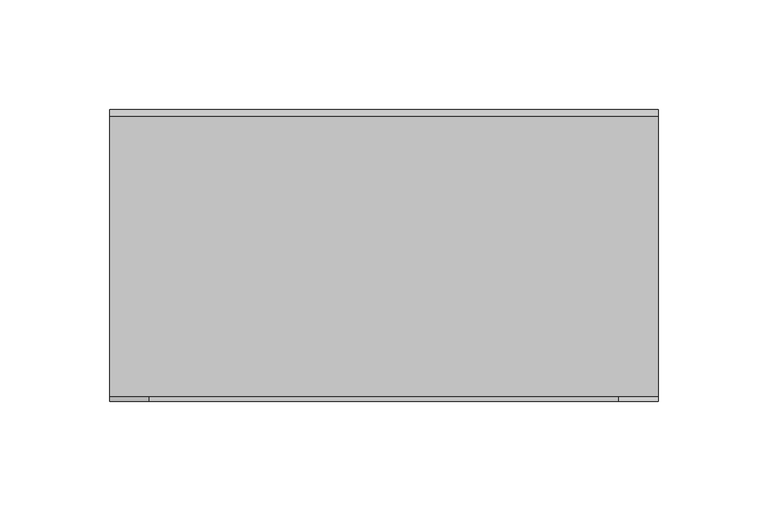
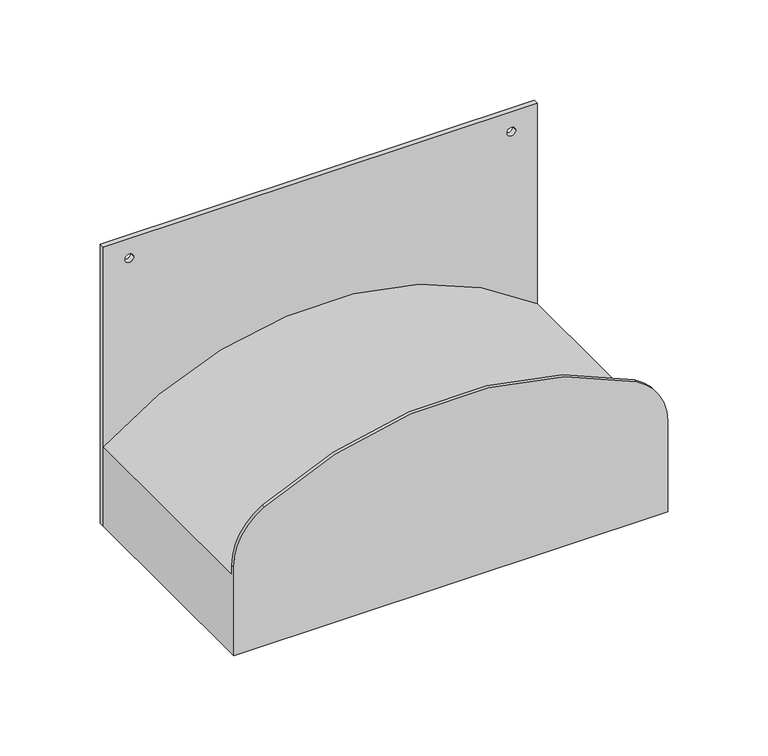
"""IFC4 building model written with IfcOpenShell, lengths in millimetres: proxy geometry."""

from ifc_helpers import new_model, si_unit, point, frame, frame_2d, origin, place, context, project, spatial, polyline, circle_curve, trimmed, segment, composite_curve, outline, extrude, source, transform, mapped, element, save
from ifc_brep_helpers import plane_surface, cylinder_surface, advanced_brep


def specialty_equipment_ce90fc93(model_context):
    return source(origin(), model_context, "Body", "SolidModel", [
        advanced_brep(
        [(-125.000001, -133.0, 810.0000005), (125.000001, -133.0, 810.0000005), (125.000001, -133.0, 865.5687112), (106.8463189, -133.0, 895.5347541), (-107.216548, -133.0, 894.2133624), (-125.000001, -133.0, 863.8075007), (125.000001, -3.0, 810.0000005), (-125.000001, -3.0, 810.0000005), (-125.000001, -3.0, 857.9928917), (125.000001, -3.0, 858.0056913), (-125.000001, -131.0, 863.6735856), (-125.000001, -131.0, 857.9928925), (125.000001, -131.0, 858.0056913), (125.000001, -131.0, 865.5687112), (-107.216548, -131.0, 894.2133624), (106.8463189, -131.0, 895.5347541)],
        [
            (0, 1),
            (1, 2),
            (2, 3, circle_curve(frame((90.0073458, -133.0, 864.8517134), z_axis=(0.0, -1.0, 0.0), x_axis=(1.0, 0.0, 0.0)), 35.0)),
            (3, 4, circle_curve(frame((1.001345, -133.0, 702.669927), z_axis=(0.0, -1.0, 0.0), x_axis=(-1.0, 0.0, 0.0)), 220.0)),
            (4, 5, circle_curve(frame((-90.000065, -133.0, 863.7405431), z_axis=(0.0, -1.0, 0.0), x_axis=(1.0, 0.0, 0.0)), 35.0)),
            (5, 0),
            (6, 7),
            (7, 8),
            (8, 9, circle_curve(frame((0.0079934, -3.0, 701.8743427), z_axis=(0.0, 1.0, 0.0), x_axis=(1.0, 0.0, 0.0)), 200.0)),
            (9, 6),
            (7, 0),
            (5, 10),
            (10, 11),
            (11, 8),
            (6, 1),
            (9, 12),
            (12, 13),
            (13, 2),
            (12, 11, circle_curve(frame((0.0079934, -131.0, 701.8743427), z_axis=(0.0, -1.0, 0.0), x_axis=(1.0, 0.0, 0.0)), 200.0)),
            (10, 14, circle_curve(frame((-90.000065, -131.0, 863.7405431), z_axis=(0.0, 1.0, 0.0), x_axis=(1.0, 0.0, 0.0)), 35.0)),
            (14, 15, circle_curve(frame((1.001345, -131.0, 702.669927), z_axis=(0.0, 1.0, 0.0), x_axis=(-1.0, 0.0, 0.0)), 220.0)),
            (15, 13, circle_curve(frame((90.0073458, -131.0, 864.8517134), z_axis=(0.0, 1.0, 0.0), x_axis=(1.0, 0.0, 0.0)), 35.0)),
            (4, 14),
            (3, 15),
        ],
        [
            plane_surface(frame((-125.000001, -133.0, 980.000005), z_axis=(0.0, -1.0, 0.0), x_axis=(-1.0, 0.0, 0.0))),
            plane_surface(frame((-125.000001, -3.0, 980.000005), z_axis=(0.0, 1.0, 0.0), x_axis=(1.0, 0.0, 0.0))),
            plane_surface(frame((-125.000001, -133.0, 980.000005), z_axis=(-1.0, 0.0, 0.0), x_axis=(0.0, 1.0, 0.0))),
            plane_surface(frame((-125.000001, -133.0, 810.0000005), z_axis=(0.0, 0.0, -1.0), x_axis=(0.0, 1.0, 0.0))),
            plane_surface(frame((125.000001, -133.0, 810.0000005), z_axis=(1.0, 0.0, 0.0), x_axis=(0.0, 1.0, 0.0))),
            plane_surface(frame((200.0079934, -131.0, 701.8743427), z_axis=(0.0, 1.0, 0.0), x_axis=(0.0, 0.0, -1.0))),
            cylinder_surface(frame((0.0079934, -3.0, 701.8743427), z_axis=(0.0, 1.0, 0.0), x_axis=(1.0, 0.0, 0.0)), 200.0),
            cylinder_surface(frame((-90.000065, -119.0087163, 863.7405431), z_axis=(0.0, 1.0, 0.0), x_axis=(1.0, 0.0, 0.0)), 35.0),
            cylinder_surface(frame((1.001345, -119.0087163, 702.669927), z_axis=(0.0, 1.0, 0.0), x_axis=(-1.0, 0.0, 0.0)), 220.0),
            cylinder_surface(frame((90.0073458, -119.0087163, 864.8517134), z_axis=(0.0, 1.0, 0.0), x_axis=(1.0, 0.0, 0.0)), 35.0),
        ],
        [
            (0, [[1, 2, 3, 4, 5, 6]]),
            (1, [[7, 8, 9, 10]]),
            (2, [[11, -6, 12, 13, 14, -8]]),
            (3, [[-1, -11, -7, 15]]),
            (4, [[-15, -10, 16, 17, 18, -2]]),
            (5, [[19, -13, 20, 21, 22, -17]]),
            (6, [[-19, -16, -9, -14]]),
            (7, [[23, -20, -12, -5]]),
            (8, [[-23, -4, 24, -21]]),
            (9, [[-24, -3, -18, -22]]),
        ],
    ),
        extrude(outline(polyline([(980.0000005, 125.0), (980.0000005, -125.0), (810.0000005, -125.0), (810.0000005, 125.0), (980.0000005, 125.0)]), holes=[composite_curve([segment(trimmed(circle_curve(frame_2d((968.0, -110.0)), 2.5), [point((968.0, -107.5))], [point((968.0, -112.5))], True, "CARTESIAN"), True, "CONTINUOUS"), segment(trimmed(circle_curve(frame_2d((968.0, -110.0)), 2.5), [point((968.0, -112.5))], [point((968.0, -107.5))], True, "CARTESIAN"), True, "CONTINUOUS")], self_intersect=False), composite_curve([segment(trimmed(circle_curve(frame_2d((968.0, 110.0)), 2.5), [point((968.0, 112.5))], [point((968.0, 107.5))], True, "CARTESIAN"), True, "CONTINUOUS"), segment(trimmed(circle_curve(frame_2d((968.0, 110.0)), 2.5), [point((968.0, 107.5))], [point((968.0, 112.5))], True, "CARTESIAN"), True, "CONTINUOUS")], self_intersect=False)]), frame((0.0, -3.0, 0.0), z_axis=(0.0, 1.0, 0.0), x_axis=(0.0, 0.0, 1.0)), (0.0, 0.0, 1.0), 3.0),
    ])


if __name__ == "__main__":
    model = new_model("IFC4")
    model_context = context("Model", 3, world=origin())
    ifc_project = project(units=[si_unit("LENGTHUNIT", "METRE", prefix="MILLI")], contexts=[model_context])
    site = spatial("IfcSite", under=ifc_project)
    building = spatial("IfcBuilding", under=site)
    placement = place(None, origin())
    specialty_equipment_shape = specialty_equipment_ce90fc93(model_context)
    element("IfcBuildingElementProxy", 1, Name="Specialty Equipment", at=placement, inside=building, context=model_context, shape_type="MappedRepresentation", body=[
        mapped(specialty_equipment_shape, transform((0.0, 0.0, 0.0), x_axis=(1.0, 0.0, 0.0), y_axis=(0.0, 1.0, 0.0), z_axis=(0.0, 0.0, 1.0))),
    ])
    save(model, "model.ifc")
